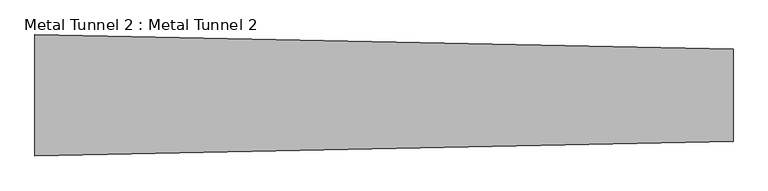
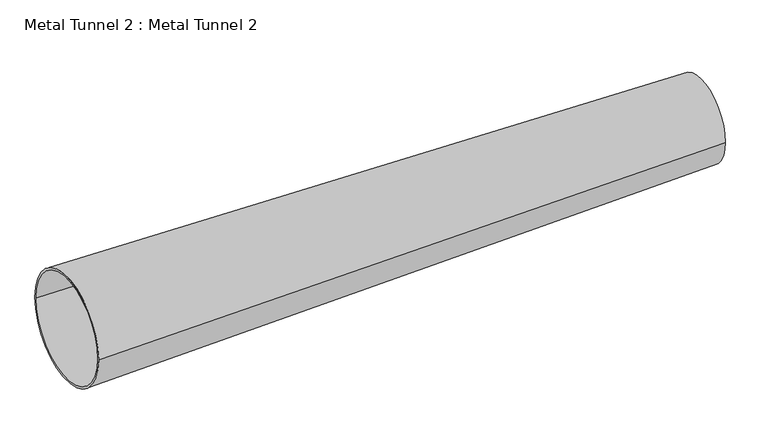
"""IFC4 building model written with IfcOpenShell, lengths in millimetres: proxy geometry, Metal Tunnel 2 : Metal Tunnel 2."""

from ifc_helpers import new_model, si_unit, frame, origin, place, context, project, spatial, polyline, circle_curve, source, transform, mapped, element, save
from ifc_brep_helpers import plane_surface, revolved_surface, advanced_brep


def metal_tunnel_2_metal_tunnel_2_230cb23b(model_context):
    return source(origin(), model_context, "Body", "AdvancedBrep", [
        advanced_brep(
        [(263101.5934047, -19328.8997812, 317.5), (263101.5934047, -19811.4997812, 317.5), (263101.5934047, -19804.8046245, 317.5), (263101.5934047, -19335.5949378, 317.5), (259444.5178569, -19252.6997812, 317.5), (259444.5178569, -19887.6997812, 317.5), (259444.5178569, -19265.5480605, 317.5), (259444.5178569, -19874.8515018, 317.5)],
        [
            (0, 1, circle_curve(frame((263101.5934047, -19570.1997812, 317.5), z_axis=(1.0, 0.0, 0.0), x_axis=(0.0, 1.0, 0.0)), 241.3)),
            (1, 0, circle_curve(frame((263101.5934047, -19570.1997812, 317.5), z_axis=(1.0, 0.0, 0.0), x_axis=(0.0, -1.0, 0.0)), 241.3)),
            (2, 3, circle_curve(frame((263101.5934047, -19570.1997812, 317.5), z_axis=(-1.0, 0.0, 0.0), x_axis=(0.0, 1.0, 0.0)), 234.6048433)),
            (3, 2, circle_curve(frame((263101.5934047, -19570.1997812, 317.5), z_axis=(-1.0, 0.0, 0.0), x_axis=(0.0, -1.0, 0.0)), 234.6048433)),
            (4, 5, circle_curve(frame((259444.5178569, -19570.1997812, 317.5), z_axis=(-1.0, 0.0, 0.0), x_axis=(0.0, -1.0, 0.0)), 317.5)),
            (5, 4, circle_curve(frame((259444.5178569, -19570.1997812, 317.5), z_axis=(-1.0, 0.0, 0.0), x_axis=(0.0, 1.0, 0.0)), 317.5)),
            (6, 7, circle_curve(frame((259444.5178569, -19570.1997812, 317.5), z_axis=(1.0, 0.0, 0.0), x_axis=(0.0, 1.0, 0.0)), 304.6517207)),
            (7, 6, circle_curve(frame((259444.5178569, -19570.1997812, 317.5), z_axis=(1.0, 0.0, 0.0), x_axis=(0.0, -1.0, 0.0)), 304.6517207)),
            (0, 4),
            (5, 1),
            (6, 3),
            (2, 7),
        ],
        [
            plane_surface(frame((263101.5934047, -19570.1997812, 317.5), z_axis=(1.0, 0.0, 0.0), x_axis=(0.0, 0.0, 1.0))),
            plane_surface(frame((259444.5178569, -19570.1997812, 317.5), z_axis=(-1.0, 0.0, 0.0), x_axis=(0.0, 0.0, 1.0))),
            revolved_surface(polyline([(263101.5934047, -19328.899781199, 317.5), (259444.5178569, -19252.6997812, 317.5)]), (274682.3326396, -19570.1997812, 317.5), (-1.0, 0.0, 0.0)),
            revolved_surface(polyline([(263101.5934047, -19811.499781201, 317.5), (259444.5178569, -19887.6997812, 317.5)]), (274682.3326396, -19570.1997812, 317.5), (-1.0, 0.0, 0.0)),
            revolved_surface(polyline([(259444.5178569, -19265.5480605, 317.5), (263101.5934047, -19335.594937824626, 317.5)]), (275350.0714079, -19570.1997812, 317.5), (-1.0, 0.0, 0.0)),
        ],
        [
            (0, [[1, 2], [3, 4]]),
            (1, [[5, 6], [7, 8]]),
            (2, [[-1, 9, -6, 10]]),
            (3, [[-2, -10, -5, -9]]),
            (4, [[11, -3, 12, -7]]),
            (4, [[-11, -8, -12, -4]]),
        ],
    ),
    ])


if __name__ == "__main__":
    model = new_model("IFC4")
    model_context = context("Model", 3, world=origin())
    ifc_project = project(units=[si_unit("LENGTHUNIT", "METRE", prefix="MILLI")], contexts=[model_context])
    site = spatial("IfcSite", under=ifc_project)
    building = spatial("IfcBuilding", under=site)
    placement = place(None, origin())
    metal_tunnel_2_metal_tunnel_2_shape = metal_tunnel_2_metal_tunnel_2_230cb23b(model_context)
    element("IfcBuildingElementProxy", 1, Name="Metal Tunnel 2 : Metal Tunnel 2", ObjectType="Metal Tunnel 2 : Metal Tunnel 2", at=placement, inside=building, context=model_context, shape_type="MappedRepresentation", body=[
        mapped(metal_tunnel_2_metal_tunnel_2_shape, transform((0.0, 0.0, 0.0), x_axis=(1.0, 0.0, 0.0), y_axis=(0.0, 1.0, 0.0), z_axis=(0.0, 0.0, 1.0))),
    ])
    save(model, "model.ifc")
